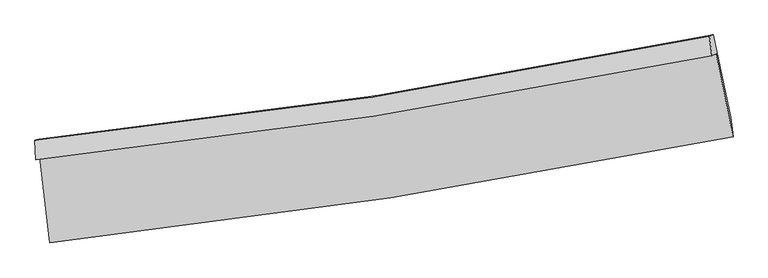
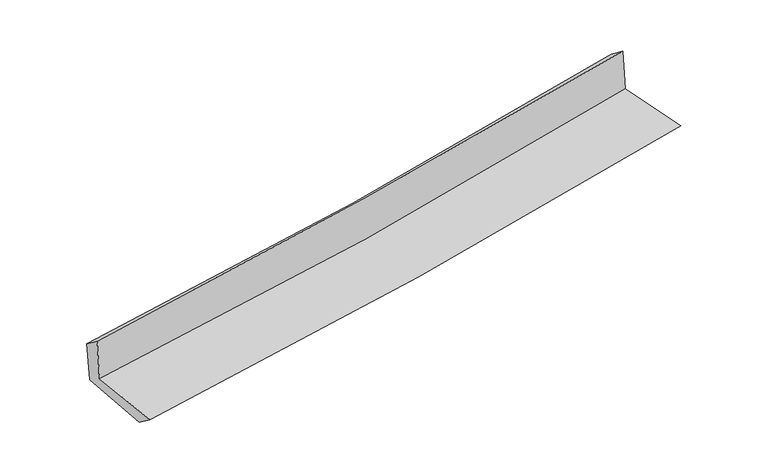
"""IFC4 building model written with IfcOpenShell, lengths in millimetres: proxy geometry."""

from ifc_helpers import new_model, si_unit, frame, origin, place, context, project, spatial, source, transform, mapped, element, save
from ifc_brep_helpers import plane_surface, spline_curve, spline_surface, advanced_brep


def generic_models_1d9d9005(model_context):
    return source(origin(), model_context, "Body", "AdvancedBrep", [
        advanced_brep(
        [(-2687.0829027, -1886.5707764, 1662.0870688), (-2610.7961116, -2559.4808615, 1641.3712505), (2774.4142962, -1722.5353882, 2118.2434006), (2640.5162009, -1068.9285404, 2132.0452509), (-2719.422575, -1904.3197886, 2050.8496323), (2607.9500639, -1086.6962954, 2520.2722478), (-2726.2234331, -1751.6809371, 1936.5118258), (2587.2683621, -931.7712807, 2404.8757966), (-2694.6550407, -1742.035676, 1566.6524128), (2619.7332776, -921.9860293, 2035.1184329), (-2617.6339635, -2403.6841478, 1523.4926798), (2754.6038817, -1569.4879996, 1997.5841964)],
        [
            (0, 1),
            (1, 2, spline_curve(3, [(-2610.7961116, -2559.4808615, 1641.3712505), (-1712.312682648, -2461.01237778, 1721.226800407), (-816.68179279, -2342.512110227, 1800.684093211), (978.449857514, -2063.962267363, 1959.650065143), (1877.88910358, -1903.480710258, 2039.150155319), (2774.4142962, -1722.5353882, 2118.2434006)], [4, 2, 4], [0.0, 8.88004747087658, 17.855332461289052])),
            (2, 3),
            (3, 0, spline_curve(3, [(2640.5162009, -1068.9285404, 2132.0452509), (1755.051753094, -1249.20693805, 2048.162798634), (865.965674927, -1407.731002663, 1966.863203662), (-909.977144194, -1679.819189976, 1810.264999394), (-1796.757433942, -1793.842537406, 1734.911866874), (-2687.0829027, -1886.5707764, 1662.0870688)], [4, 2, 4], [0.0, 8.975284990412472, 17.855332461289052])),
            (4, 0),
            (3, 5),
            (5, 4, spline_curve(3, [(2607.9500639, -1086.6962954, 2520.2722478), (1721.172290798, -1267.709767585, 2452.686579383), (831.452126534, -1426.597830154, 2379.537022214), (-944.400865923, -1698.67193679, 2222.945365518), (-1830.471580972, -1812.325038309, 2139.620717686), (-2719.422575, -1904.3197886, 2050.8496323)], [4, 2, 4], [0.0, 8.925628088652994, 17.75654557141757])),
            (6, 4),
            (5, 7),
            (7, 6, spline_curve(3, [(2587.2683621, -931.7712807, 2404.8757966), (1704.201787654, -1114.262104836, 2326.328240165), (817.49643449, -1274.077455038, 2247.816137727), (-953.744310079, -1546.902004363, 2091.695562332), (-1838.202888891, -1660.389872846, 2014.086341566), (-2726.2234331, -1751.6809371, 1936.5118258)], [4, 2, 4], [0.0, 8.914511323343968, 17.734430001750553])),
            (8, 6),
            (7, 9),
            (9, 8, spline_curve(3, [(2619.7332776, -921.9860293, 2035.1184329), (1737.035578646, -1104.348664239, 1950.46024862), (850.438170513, -1264.112052201, 1868.900533671), (-921.106923749, -1536.984873923, 1712.810601144), (-1805.972288203, -1650.571368179, 1638.214976057), (-2694.6550407, -1742.035676, 1566.6524128)], [4, 2, 4], [0.0, 8.904264782028845, 17.71404564604984])),
            (10, 8),
            (9, 11),
            (11, 10, spline_curve(3, [(2754.6038817, -1569.4879996, 1997.5841964), (1860.957616293, -1749.762030052, 1912.225450681), (964.042766197, -1909.678170676, 1829.843517393), (-826.772180885, -2187.313806948, 1671.875851355), (-1720.60327892, -2305.463049203, 1596.227278693), (-2617.6339635, -2403.6841478, 1523.4926798)], [4, 2, 4], [0.0, 8.953851116510506, 17.812692150161133])),
            (1, 10),
            (11, 2),
        ],
        [
            spline_surface(3, 3, [[(-2687.0829027, -1886.5707764, 1662.0870688), (-1796.757433815, -1793.842537399, 1734.911866798), (-909.977144109, -1679.819189929, 1810.26499936), (865.965674841, -1407.731002711, 1966.863203695), (1755.051753, -1249.206938142, 2048.162798503), (2640.5162009, -1068.9285404, 2132.0452509)], [(-2661.653972323, -2110.874138103, 1655.181796023), (-1768.609183454, -2016.232484195, 1730.350177968), (-878.878693657, -1900.716830077, 1807.07136401), (903.460402423, -1626.474757598, 1964.458824137), (1795.997536503, -1467.298195531, 2045.158584135), (2685.148899316, -1286.797489666, 2127.444634137)], [(-2636.225041977, -2335.177499797, 1648.276523277), (-1740.460933124, -2238.622430982, 1725.788489169), (-847.78024326, -2121.614470148, 1803.877728672), (940.95512995, -1845.218512408, 1962.05444459), (1836.943320057, -1685.389452922, 2042.154369756), (2729.781597784, -1504.666438934, 2122.844017363)], [(-2610.7961116, -2559.4808615, 1641.3712505), (-1712.312682763, -2461.012377778, 1721.226800339), (-816.681792808, -2342.512110296, 1800.684093322), (978.449857532, -2063.962267294, 1959.650065031), (1877.889103561, -1903.480710311, 2039.150155388), (2774.4142962, -1722.5353882, 2118.2434006)]], [4, 4], [4, 2, 4], [0.0, 2.189878005071782], [0.0, 8.88004747087658, 17.855332461289052]),
            spline_surface(3, 3, [[(-2719.422575, -1904.3197886, 2050.8496323), (-1830.471581075, -1812.325038294, 2139.620717649), (-944.400865837, -1698.671936661, 2222.945365615), (831.452126448, -1426.597830284, 2379.537022116), (1721.172290808, -1267.709767518, 2452.686579316), (2607.9500639, -1086.6962954, 2520.2722478)], [(-2708.642684218, -1898.403451181, 1921.262111145), (-1819.233531973, -1806.164204643, 2004.717767377), (-932.926291946, -1692.387687749, 2085.385243527), (842.956642561, -1420.308887759, 2241.979082639), (1732.465444871, -1261.542157727, 2317.845319054), (2618.8054429, -1080.773710401, 2390.863248843)], [(-2697.862793482, -1892.487113819, 1791.674589955), (-1807.995482917, -1800.00337105, 1869.81481707), (-921.451718001, -1686.103438841, 1947.825121449), (854.461158728, -1414.019945237, 2104.421143172), (1743.758598936, -1255.374547933, 2183.004058764), (2629.6608219, -1074.851125399, 2261.454249857)], [(-2687.0829027, -1886.5707764, 1662.0870688), (-1796.757433815, -1793.842537399, 1734.911866798), (-909.977144109, -1679.819189929, 1810.26499936), (865.965674841, -1407.731002711, 1966.863203695), (1755.051753, -1249.206938142, 2048.162798503), (2640.5162009, -1068.9285404, 2132.0452509)]], [4, 4], [4, 2, 4], [0.0, 1.3600480102429382], [0.0, 8.830917482764574, 17.75654557141757]),
            spline_surface(3, 3, [[(-2726.2234331, -1751.6809371, 1936.5118258), (-1838.202888912, -1660.389872892, 2014.086341455), (-953.744310205, -1546.902004279, 2091.695562442), (817.496434617, -1274.077455123, 2247.816137616), (1704.201787612, -1114.262104961, 2326.328240254), (2587.2683621, -931.7712807, 2404.8757966)], [(-2723.956480393, -1802.560554265, 1974.624427961), (-1835.625786293, -1711.034928024, 2055.931133514), (-950.629828757, -1597.491981732, 2135.445496838), (822.148331886, -1324.917580169, 2291.72309912), (1709.85862202, -1165.411325824, 2368.447686614), (2594.16226271, -983.412952278, 2443.34128034)], [(-2721.689527707, -1853.440171435, 2012.737030139), (-1833.048683695, -1761.679983162, 2097.77592559), (-947.515347285, -1648.081959208, 2179.19543122), (826.800229179, -1375.757705238, 2335.630060611), (1715.5154564, -1216.560546655, 2410.567132955), (2601.05616329, -1035.054623822, 2481.80676406)], [(-2719.422575, -1904.3197886, 2050.8496323), (-1830.471581075, -1812.325038294, 2139.620717649), (-944.400865837, -1698.671936661, 2222.945365615), (831.452126448, -1426.597830284, 2379.537022116), (1721.172290808, -1267.709767518, 2452.686579316), (2607.9500639, -1086.6962954, 2520.2722478)]], [4, 4], [4, 2, 4], [0.0, 0.6608640976014142], [0.0, 8.819918678406585, 17.734430001750553]),
            spline_surface(3, 3, [[(-2694.6550407, -1742.035676, 1566.6524128), (-1805.972288067, -1650.571368124, 1638.214976041), (-921.106923606, -1536.98487392, 1712.810601088), (850.438170369, -1264.112052204, 1868.900533727), (1737.035578685, -1104.348664205, 1950.460248758), (2619.7332776, -921.9860293, 2035.1184329)], [(-2705.177838174, -1745.250763025, 1689.938883788), (-1816.71582169, -1653.844203038, 1763.505431168), (-931.986052453, -1540.290584036, 1839.105588208), (839.457591804, -1267.433853173, 1995.205735025), (1726.090981674, -1107.653144451, 2075.749579255), (2608.911639114, -925.247779761, 2158.370887465)], [(-2715.700635626, -1748.465850075, 1813.225354812), (-1827.45935529, -1657.117037977, 1888.795886329), (-942.865181358, -1543.596294164, 1965.400575322), (828.477013181, -1270.755654154, 2121.510936318), (1715.146384622, -1110.957624715, 2201.038909757), (2598.090000586, -928.509530239, 2281.623342035)], [(-2726.2234331, -1751.6809371, 1936.5118258), (-1838.202888912, -1660.389872892, 2014.086341455), (-953.744310205, -1546.902004279, 2091.695562442), (817.496434617, -1274.077455123, 2247.816137616), (1704.201787612, -1114.262104961, 2326.328240254), (2587.2683621, -931.7712807, 2404.8757966)]], [4, 4], [4, 2, 4], [0.0, 1.24818365309589], [0.0, 8.809780864020995, 17.71404564604984]),
            spline_surface(3, 3, [[(-2617.6339635, -2403.6841478, 1523.4926798), (-1720.603278831, -2305.46304916, 1596.2272788), (-826.772180779, -2187.313806956, 1671.875851231), (964.042766089, -1909.678170668, 1829.843517518), (1860.957616391, -1749.762030125, 1912.225450602), (2754.6038817, -1569.4879996, 1997.5841964)], [(-2643.307655899, -2183.134657209, 1537.879257499), (-1749.059615242, -2087.165822157, 1610.223177913), (-858.217095076, -1970.537495953, 1685.520767875), (926.174567495, -1694.489464522, 1842.862522946), (1819.650270461, -1534.624241473, 1924.970383322), (2709.647013638, -1353.654009488, 2010.095608567)], [(-2668.981348301, -1962.585166591, 1552.265835101), (-1777.515951656, -1868.868595127, 1624.219076929), (-889.66200931, -1753.761184923, 1699.165684445), (888.306368963, -1479.300758349, 1855.8815283), (1778.342924615, -1319.486452858, 1937.715316039), (2664.690145662, -1137.820019412, 2022.607020733)], [(-2694.6550407, -1742.035676, 1566.6524128), (-1805.972288067, -1650.571368124, 1638.214976041), (-921.106923606, -1536.98487392, 1712.810601088), (850.438170369, -1264.112052204, 1868.900533727), (1737.035578685, -1104.348664205, 1950.460248758), (2619.7332776, -921.9860293, 2035.1184329)]], [4, 4], [4, 2, 4], [0.0, 2.156970162068232], [0.0, 8.858841033650627, 17.812692150161133]),
            spline_surface(3, 3, [[(-2610.7961116, -2559.4808615, 1641.3712505), (-1712.312682763, -2461.012377778, 1721.226800339), (-816.681792808, -2342.512110296, 1800.684093322), (978.449857532, -2063.962267294, 1959.650065031), (1877.889103561, -1903.480710311, 2039.150155388), (2774.4142962, -1722.5353882, 2118.2434006)], [(-2613.075395593, -2507.548623617, 1602.078393584), (-1715.076214812, -2409.162601589, 1679.560293143), (-820.045255456, -2290.779342494, 1757.748012602), (973.647493727, -2012.534235064, 1916.381215837), (1872.245274527, -1852.241150257, 1996.84192044), (2767.810824722, -1671.519592008, 2078.023665847)], [(-2615.354679507, -2455.616385683, 1562.785536716), (-1717.839746782, -2357.312825349, 1637.893785995), (-823.408718131, -2239.046574758, 1714.811931951), (968.845129895, -1961.106202898, 1873.112366712), (1866.601445425, -1801.00159018, 1954.53368555), (2761.207353178, -1620.503795792, 2037.803931153)], [(-2617.6339635, -2403.6841478, 1523.4926798), (-1720.603278831, -2305.46304916, 1596.2272788), (-826.772180779, -2187.313806956, 1671.875851231), (964.042766089, -1909.678170668, 1829.843517518), (1860.957616391, -1749.762030125, 1912.225450602), (2754.6038817, -1569.4879996, 1997.5841964)]], [4, 4], [4, 2, 4], [0.0, 0.6628240951427528], [0.0, 8.918055530519037, 17.931756212778026]),
            plane_surface(frame((2664.0810137, -1216.9009223, 2201.3565542), z_axis=(0.9759715721717684, 0.19801768587729268, 0.0909312179197476), x_axis=(-0.08743373407488872, -0.026353405055294047, 0.9958216909606424))),
            plane_surface(frame((-2675.9690044, -2041.2953646, 1730.1608117), z_axis=(-0.9901330699531216, -0.10956023641383211, -0.08736737596009386), x_axis=(-0.11259422964675063, 0.9931705283739333, 0.03057516998639654))),
        ],
        [
            (0, [[1, 2, 3, 4]]),
            (1, [[5, -4, 6, 7]]),
            (2, [[8, -7, 9, 10]]),
            (3, [[11, -10, 12, 13]]),
            (4, [[14, -13, 15, 16]]),
            (5, [[17, -16, 18, -2]]),
            (6, [[-12, -9, -6, -3, -18, -15]]),
            (7, [[-1, -5, -8, -11, -14, -17]]),
        ],
    ),
    ])


if __name__ == "__main__":
    model = new_model("IFC4")
    model_context = context("Model", 3, world=origin())
    ifc_project = project(units=[si_unit("LENGTHUNIT", "METRE", prefix="MILLI")], contexts=[model_context])
    site = spatial("IfcSite", under=ifc_project)
    building = spatial("IfcBuilding", under=site)
    placement = place(None, origin())
    generic_models_shape = generic_models_1d9d9005(model_context)
    element("IfcBuildingElementProxy", 1, Name="Generic Models", at=placement, inside=building, context=model_context, shape_type="MappedRepresentation", body=[
        mapped(generic_models_shape, transform((0.0, 0.0, 0.0), x_axis=(1.0, 0.0, 0.0), y_axis=(0.0, 1.0, 0.0), z_axis=(0.0, 0.0, 1.0))),
    ])
    save(model, "model.ifc")
